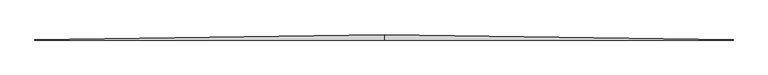
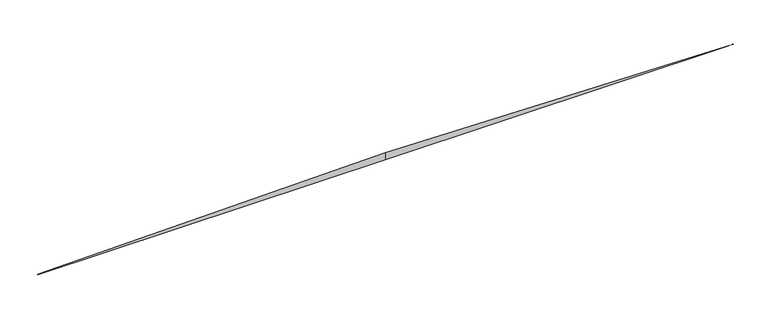
"""IFC4 building model written with IfcOpenShell, lengths in millimetres: proxy geometry."""

from ifc_helpers import new_model, si_unit, origin, place, context, project, spatial, faceted_brep, source, transform, mapped, element, save


def generic_models_a619374d(model_context):
    return source(origin(), model_context, "Body", "Brep", [
        faceted_brep([(0.0, 63.1389318, 24.1735682), (0.0, 0.0, 87.3125), (0.0, 0.0, 0.0), (-4318.0, 2.2959612, 0.8790388), (-4318.0, 0.0, 0.0), (-4318.0, 0.0, 3.175)], [[[0, 1, 2]], [[3, 4, 5]], [[3, 0, 2, 4]], [[4, 2, 1, 5]], [[5, 1, 0, 3]]]),
        faceted_brep([(0.0, 63.1389318, 24.1735682), (0.0, 0.0, 0.0), (0.0, 0.0, 87.3125), (4318.0, 2.2959612, 0.8790388), (4318.0, 0.0, 3.175), (4318.0, 0.0, 0.0)], [[[0, 1, 2]], [[3, 4, 5]], [[3, 0, 2, 4]], [[4, 2, 1, 5]], [[5, 1, 0, 3]]]),
    ])


if __name__ == "__main__":
    model = new_model("IFC4")
    model_context = context("Model", 3, world=origin())
    ifc_project = project(units=[si_unit("LENGTHUNIT", "METRE", prefix="MILLI")], contexts=[model_context])
    site = spatial("IfcSite", under=ifc_project)
    building = spatial("IfcBuilding", under=site)
    placement = place(None, origin())
    generic_models_shape = generic_models_a619374d(model_context)
    element("IfcBuildingElementProxy", 1, Name="Generic Models", at=placement, inside=building, context=model_context, shape_type="MappedRepresentation", body=[
        mapped(generic_models_shape, transform((0.0, 0.0, 0.0), x_axis=(1.0, 0.0, 0.0), y_axis=(0.0, 1.0, 0.0), z_axis=(0.0, 0.0, 1.0))),
    ])
    save(model, "model.ifc")
